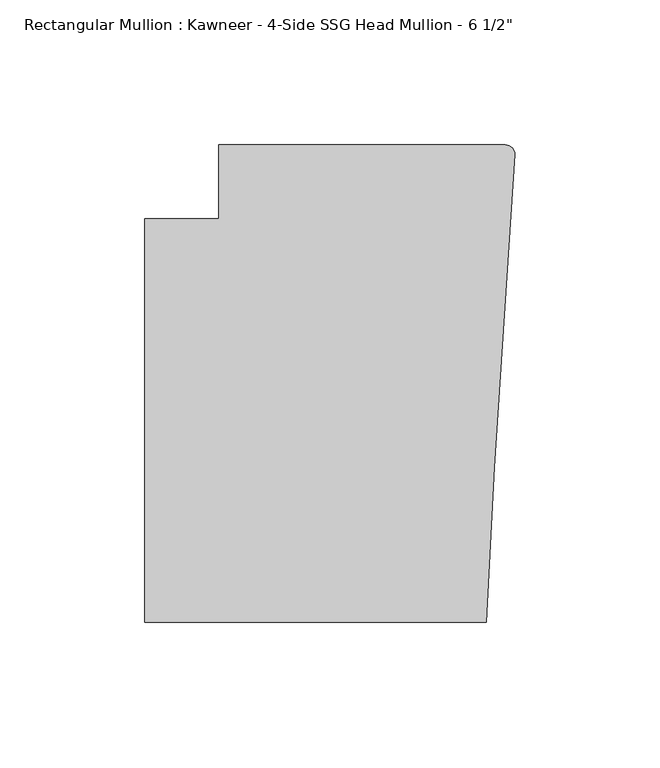
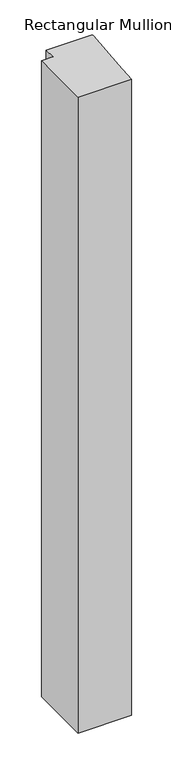
"""IFC4 building model written with IfcOpenShell, lengths in millimetres: member geometry."""

from ifc_helpers import new_model, si_unit, point, frame, frame_2d, origin, place, context, project, spatial, polyline, circle_curve, trimmed, segment, composite_curve, outline, extrude, source, transform, mapped, element, save


def member_3479a7f4(model_context):
    return source(origin(), model_context, "Body", "SweptSolid", [
        extrude(outline(composite_curve([segment(polyline([(-102.08978, 12.7), (-3.175, 12.7)]), True, "CONTINUOUS"), segment(trimmed(circle_curve(frame_2d((-3.175, 9.525)), 3.175), [point((-3.175, 12.7))], [point((-0.006635, 9.3198462))], False, "CARTESIAN"), True, "CONTINUOUS"), segment(polyline([(-0.006635, 9.3198462), (-6.9873394, -98.4891117), (-9.7860662, -151.892), (-127.4896668, -151.892), (-127.4896668, -12.7), (-102.08978, -12.7), (-102.08978, 12.7)]), True, "CONTINUOUS")], self_intersect=False)), frame((0.0, 0.0, -1478.4151679), z_axis=(0.0, 0.0, 1.0), x_axis=(1.0, 0.0, 0.0)), (0.0, 0.0, 1.0), 1478.4151679),
    ])


if __name__ == "__main__":
    model = new_model("IFC4")
    model_context = context("Model", 3, world=origin())
    ifc_project = project(units=[si_unit("LENGTHUNIT", "METRE", prefix="MILLI")], contexts=[model_context])
    site = spatial("IfcSite", under=ifc_project)
    building = spatial("IfcBuilding", under=site)
    placement = place(None, origin())
    member_shape = member_3479a7f4(model_context)
    element("IfcMember", 1, ObjectType="Rectangular Mullion : Kawneer - 4-Side SSG Head Mullion - 6 1/2\"", at=placement, inside=building, context=model_context, shape_type="MappedRepresentation", body=[
        mapped(member_shape, transform((0.0, 0.0, 0.0), x_axis=(1.0, 0.0, 0.0), y_axis=(0.0, 1.0, 0.0), z_axis=(0.0, 0.0, 1.0))),
    ])
    save(model, "model.ifc")
